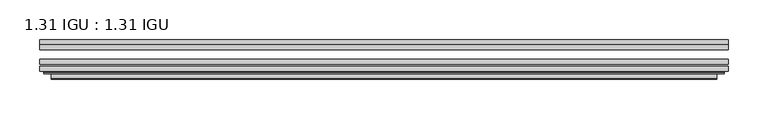
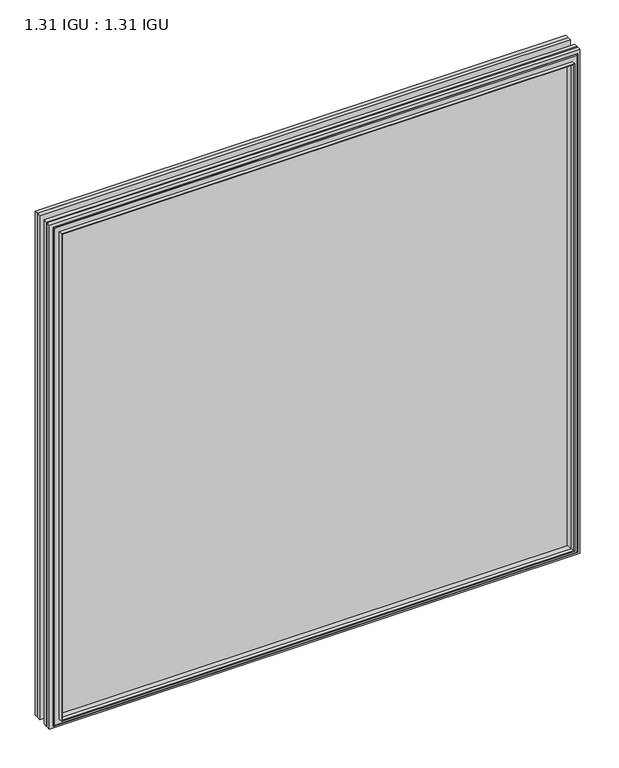
"""IFC4 building model written with IfcOpenShell, lengths in millimetres: plate geometry, 1.31 IGU : 1.31 IGU."""

from ifc_helpers import new_model, si_unit, frame, origin, place, context, project, spatial, polyline, ellipse_curve, outline, extrude, faceted_brep, source, transform, mapped, element, save
from ifc_brep_helpers import plane_surface, cylinder_surface, advanced_brep


def plate_1_31_igu_1_31_igu_bc2aa17d(model_context):
    return source(origin(), model_context, "Body", "SolidModel", [
        extrude(outline(polyline([(433.401675, -66.4725937), (433.401675, -72.8225938), (-433.3875, -72.8225938), (-433.3875, -66.4725937), (433.401675, -66.4725937)])), frame((0.0, 0.0, -14.2875), z_axis=(0.0, 0.0, 1.0), x_axis=(1.0, 0.0, 0.0)), (0.0, 0.0, 1.0), 869.9537979),
        extrude(outline(polyline([(-433.3875, -81.4585938), (-433.3875, -75.1080887), (433.401675, -75.1080887), (433.401675, -81.4585938), (-433.3875, -81.4585938)])), frame((0.0, 0.0, -14.2875), z_axis=(0.0, 0.0, 1.0), x_axis=(1.0, 0.0, 0.0)), (0.0, 0.0, 1.0), 869.9537979),
        extrude(outline(polyline([(433.401675, -48.1337937), (433.401675, -54.4837938), (-433.3875, -54.4837938), (-433.3875, -48.1337937), (433.401675, -48.1337937)])), frame((0.0, 0.0, -14.2875), z_axis=(0.0, 0.0, 1.0), x_axis=(1.0, 0.0, 0.0)), (0.0, 0.0, 1.0), 869.9537979),
        faceted_brep([(-419.0946902, -41.7837938, 841.3696902), (-418.2022559, -48.1337937, 840.4772559), (-418.2022559, -48.1337937, 0.8977441), (-419.0946902, -41.7837938, 0.0053098), (-433.4002, -48.1337937, 855.6752), (-433.4002, -41.7837938, 855.6752), (-433.4002, -41.7837938, -14.3002), (-433.4002, -48.1337937, -14.3002), (418.2022559, -48.1337937, 0.8977441), (419.0946902, -41.7837938, 0.0053098), (433.4002, -41.7837938, -14.3002), (433.4002, -48.1337937, -14.3002), (418.2022559, -48.1337937, 840.4772559), (419.0946902, -41.7837938, 841.3696902), (433.4002, -41.7837938, 855.6752), (433.4002, -48.1337937, 855.6752)], [[[0, 1, 2, 3]], [[4, 5, 6, 7]], [[3, 2, 8, 9]], [[7, 6, 10, 11]], [[9, 8, 12, 13]], [[11, 10, 14, 15]], [[7, 11, 15, 4], [1, 12, 8, 2]], [[13, 12, 1, 0]], [[5, 14, 10, 6], [3, 9, 13, 0]], [[15, 14, 5, 4]]]),
        advanced_brep(
        [(-427.4986349, -84.6335938, 849.7736349), (-428.5004244, -83.4482604, 850.7754244), (-428.5004244, -83.4482604, -9.4004244), (-427.4986349, -84.6335938, -8.3986349), (-419.0945784, -91.0948368, 841.3695784), (-419.0945784, -84.6335938, 841.3695784), (-419.0945784, -84.6335938, 0.0054216), (-419.0945784, -91.0948368, 0.0054216), (-418.1039217, -90.6958619, 840.3789217), (-418.1039217, -90.6958619, 0.9960783), (-417.0718939, -85.2986307, 839.3468939), (-417.0718939, -85.2986307, 2.0281061), (-412.1370621, -81.4585938, 834.4120621), (-412.1370621, -81.4585938, 6.9629379), (-426.146219, -81.4585938, 848.421219), (-426.146219, -81.4585938, -7.046219), (428.5004244, -83.4482604, -9.4004244), (427.4986349, -84.6335938, -8.3986349), (419.0945784, -84.6335938, 0.0054216), (419.0945784, -91.0948368, 0.0054216), (418.1039217, -90.6958619, 0.9960783), (417.0718939, -85.2986307, 2.0281061), (412.1370621, -81.4585938, 6.9629379), (426.146219, -81.4585938, -7.046219), (428.5004244, -83.4482604, 850.7754244), (427.4986349, -84.6335938, 849.7736349), (419.0945784, -84.6335938, 841.3695784), (419.0945784, -91.0948368, 841.3695784), (418.1039217, -90.6958619, 840.3789217), (417.0718939, -85.2986307, 839.3468939), (412.1370621, -81.4585938, 834.4120621), (426.146219, -81.4585938, 848.421219)],
        [
            (0, 1, ellipse_curve(frame((-427.4986349, -83.6175938, 849.7736349), z_axis=(-0.7071067811865475, 0.0, -0.7071067811865475), x_axis=(-0.7071067811865474, 0.0, 0.7071067811865476)), 1.436841, 1.016)),
            (1, 2),
            (2, 3, ellipse_curve(frame((-427.4986349, -83.6175938, -8.3986349), z_axis=(-0.7071067811865475, 0.0, 0.7071067811865475), x_axis=(0.7071067811865474, 0.0, 0.7071067811865476)), 1.436841, 1.016)),
            (3, 0),
            (4, 5),
            (5, 6),
            (6, 7),
            (7, 4),
            (8, 4, ellipse_curve(frame((-418.7276219, -90.5766015, 841.0026219), z_axis=(-0.7071067811865475, 0.0, -0.7071067811865475), x_axis=(-0.7071067811865474, 0.0, 0.7071067811865476)), 0.8980256, 0.635)),
            (7, 9, ellipse_curve(frame((-418.7276219, -90.5766015, 0.3723781), z_axis=(-0.7071067811865475, 0.0, 0.7071067811865475), x_axis=(0.7071067811865474, 0.0, 0.7071067811865476)), 0.8980256, 0.635)),
            (9, 8),
            (10, 8),
            (9, 11),
            (11, 10),
            (12, 10),
            (11, 13),
            (13, 12),
            (1, 14, ellipse_curve(frame((-426.146219, -83.8461938, 848.421219), z_axis=(-0.7071067811865475, 0.0, -0.7071067811865475), x_axis=(-0.7071067811865474, 0.0, 0.7071067811865476)), 3.3765763, 2.3876)),
            (14, 15),
            (15, 2, ellipse_curve(frame((-426.146219, -83.8461938, -7.046219), z_axis=(-0.7071067811865475, 0.0, 0.7071067811865475), x_axis=(0.7071067811865474, 0.0, 0.7071067811865476)), 3.3765763, 2.3876)),
            (2, 16),
            (16, 17, ellipse_curve(frame((427.4986349, -83.6175938, -8.3986349), z_axis=(-0.7071067811865475, 0.0, -0.7071067811865475), x_axis=(-0.7071067811865476, 0.0, 0.7071067811865474)), 1.436841, 1.016)),
            (17, 3),
            (6, 18),
            (18, 19),
            (19, 7),
            (19, 20, ellipse_curve(frame((418.7276219, -90.5766015, 0.3723781), z_axis=(-0.7071067811865475, 0.0, -0.7071067811865475), x_axis=(-0.7071067811865476, 0.0, 0.7071067811865474)), 0.8980256, 0.635)),
            (20, 9),
            (20, 21),
            (21, 11),
            (21, 22),
            (22, 13),
            (15, 23),
            (23, 16, ellipse_curve(frame((426.146219, -83.8461938, -7.046219), z_axis=(-0.7071067811865475, 0.0, -0.7071067811865475), x_axis=(-0.7071067811865476, 0.0, 0.7071067811865474)), 3.3765763, 2.3876)),
            (16, 24),
            (24, 25, ellipse_curve(frame((427.4986349, -83.6175938, 849.7736349), z_axis=(0.7071067811865475, 0.0, -0.7071067811865475), x_axis=(-0.7071067811865474, 0.0, -0.7071067811865476)), 1.436841, 1.016)),
            (25, 17),
            (18, 26),
            (26, 27),
            (27, 19),
            (27, 28, ellipse_curve(frame((418.7276219, -90.5766015, 841.0026219), z_axis=(0.7071067811865475, 0.0, -0.7071067811865475), x_axis=(-0.7071067811865474, 0.0, -0.7071067811865476)), 0.8980256, 0.635)),
            (28, 20),
            (28, 29),
            (29, 21),
            (29, 30),
            (30, 22),
            (23, 31),
            (31, 24, ellipse_curve(frame((426.146219, -83.8461938, 848.421219), z_axis=(0.7071067811865475, 0.0, -0.7071067811865475), x_axis=(-0.7071067811865474, 0.0, -0.7071067811865476)), 3.3765763, 2.3876)),
            (24, 1),
            (0, 25),
            (5, 26),
            (4, 27),
            (8, 28),
            (10, 29),
            (12, 30),
            (14, 31),
        ],
        [
            cylinder_surface(frame((-427.4986349, -83.6175938, 873.125), z_axis=(0.0, 0.0, 1.0), x_axis=(-1.0, 0.0, 0.0)), 1.016),
            plane_surface(frame((-419.0945784, -84.6335938, 841.3695784), z_axis=(-1.0, 0.0, 0.0), x_axis=(0.0, 0.0, -1.0))),
            cylinder_surface(frame((-418.7276219, -90.5766015, 873.125), z_axis=(0.0, 0.0, 1.0), x_axis=(-1.0, 0.0, 0.0)), 0.635),
            plane_surface(frame((-418.1039217, -90.6958619, 840.3789217), z_axis=(0.9822050625507717, -0.1878116479338675, 0.0), x_axis=(0.0, 0.0, -1.0))),
            plane_surface(frame((-417.0718939, -85.2986307, 839.3468939), z_axis=(0.6141233906514726, -0.7892100234124875, 0.0), x_axis=(0.0, 0.0, -1.0))),
            cylinder_surface(frame((-426.146219, -83.8461938, 873.125), z_axis=(0.0, 0.0, 1.0), x_axis=(-1.0, 0.0, 0.0)), 2.3876),
            cylinder_surface(frame((-450.85, -83.6175938, -8.3986349), z_axis=(-1.0, 0.0, 0.0), x_axis=(0.0, 0.0, -1.0)), 1.016),
            plane_surface(frame((-419.0945784, -84.6335938, 0.0054216), z_axis=(0.0, 0.0, -1.0), x_axis=(1.0, 0.0, 0.0))),
            cylinder_surface(frame((-450.85, -90.5766015, 0.3723781), z_axis=(-1.0, 0.0, 0.0), x_axis=(0.0, 0.0, -1.0)), 0.635),
            plane_surface(frame((-418.1039217, -90.6958619, 0.9960783), z_axis=(0.0, -0.18781164793386435, 0.9822050625507722), x_axis=(1.0, 0.0, 0.0))),
            plane_surface(frame((-417.0718939, -85.2986307, 2.0281061), z_axis=(0.0, -0.7892100234124855, 0.6141233906514751), x_axis=(1.0, 0.0, 0.0))),
            cylinder_surface(frame((-450.85, -83.8461938, -7.046219), z_axis=(-1.0, 0.0, 0.0), x_axis=(0.0, 0.0, -1.0)), 2.3876),
            cylinder_surface(frame((427.4986349, -83.6175938, -31.75), z_axis=(0.0, 0.0, -1.0), x_axis=(1.0, 0.0, 0.0)), 1.016),
            plane_surface(frame((419.0945784, -84.6335938, 0.0054216), z_axis=(1.0, 0.0, 0.0), x_axis=(0.0, 0.0, 1.0))),
            cylinder_surface(frame((418.7276219, -90.5766015, -31.75), z_axis=(0.0, 0.0, -1.0), x_axis=(1.0, 0.0, 0.0)), 0.635),
            plane_surface(frame((418.1039217, -90.6958619, 0.9960783), z_axis=(-0.9822050625507728, -0.18781164793386118, 0.0), x_axis=(0.0, 0.0, 1.0))),
            plane_surface(frame((417.0718939, -85.2986307, 2.0281061), z_axis=(-0.6141233906514777, -0.7892100234124835, 0.0), x_axis=(0.0, 0.0, 1.0))),
            cylinder_surface(frame((426.146219, -83.8461938, -31.75), z_axis=(0.0, 0.0, -1.0), x_axis=(1.0, 0.0, 0.0)), 2.3876),
            cylinder_surface(frame((450.85, -83.6175938, 849.7736349), z_axis=(1.0, 0.0, 0.0), x_axis=(0.0, 0.0, 1.0)), 1.016),
            plane_surface(frame((427.4986349, -84.6335938, 849.7736349), z_axis=(0.0, -1.0, 0.0), x_axis=(-1.0, 0.0, 0.0))),
            plane_surface(frame((419.0945784, -84.6335938, 841.3695784), z_axis=(0.0, 0.0, 1.0), x_axis=(-1.0, 0.0, 0.0))),
            cylinder_surface(frame((450.85, -90.5766015, 841.0026219), z_axis=(1.0, 0.0, 0.0), x_axis=(0.0, 0.0, 1.0)), 0.635),
            plane_surface(frame((418.1039217, -90.6958619, 840.3789217), z_axis=(0.0, -0.18781164793386435, -0.9822050625507722), x_axis=(-1.0, 0.0, 0.0))),
            plane_surface(frame((417.0718939, -85.2986307, 839.3468939), z_axis=(0.0, -0.7892100234124855, -0.6141233906514751), x_axis=(-1.0, 0.0, 0.0))),
            plane_surface(frame((412.1370621, -81.4585938, 834.4120621), z_axis=(0.0, 1.0, 0.0), x_axis=(-1.0, 0.0, 0.0))),
            cylinder_surface(frame((450.85, -83.8461938, 848.421219), z_axis=(1.0, 0.0, 0.0), x_axis=(0.0, 0.0, 1.0)), 2.3876),
        ],
        [
            (0, [[1, 2, 3, 4]]),
            (1, [[5, 6, 7, 8]]),
            (2, [[9, -8, 10, 11]]),
            (3, [[12, -11, 13, 14]]),
            (4, [[15, -14, 16, 17]]),
            (5, [[18, 19, 20, -2]]),
            (6, [[-3, 21, 22, 23]]),
            (7, [[-7, 24, 25, 26]]),
            (8, [[-10, -26, 27, 28]]),
            (9, [[-13, -28, 29, 30]]),
            (10, [[-16, -30, 31, 32]]),
            (11, [[-20, 33, 34, -21]]),
            (12, [[-22, 35, 36, 37]]),
            (13, [[-25, 38, 39, 40]]),
            (14, [[-27, -40, 41, 42]]),
            (15, [[-29, -42, 43, 44]]),
            (16, [[-31, -44, 45, 46]]),
            (17, [[-34, 47, 48, -35]]),
            (18, [[-36, 49, -1, 50]]),
            (19, [[-23, -37, -50, -4], [51, -38, -24, -6]]),
            (20, [[-39, -51, -5, 52]]),
            (21, [[-41, -52, -9, 53]]),
            (22, [[-43, -53, -12, 54]]),
            (23, [[-45, -54, -15, 55]]),
            (24, [[56, -47, -33, -19], [-32, -46, -55, -17]]),
            (25, [[-48, -56, -18, -49]]),
        ],
    ),
    ])


if __name__ == "__main__":
    model = new_model("IFC4")
    model_context = context("Model", 3, world=origin())
    ifc_project = project(units=[si_unit("LENGTHUNIT", "METRE", prefix="MILLI")], contexts=[model_context])
    site = spatial("IfcSite", under=ifc_project)
    building = spatial("IfcBuilding", under=site)
    placement = place(None, origin())
    plate_1_31_igu_1_31_igu_shape = plate_1_31_igu_1_31_igu_bc2aa17d(model_context)
    element("IfcPlate", 1, ObjectType="1.31 IGU : 1.31 IGU", at=placement, inside=building, context=model_context, shape_type="MappedRepresentation", body=[
        mapped(plate_1_31_igu_1_31_igu_shape, transform((0.0, 0.0, 0.0), x_axis=(1.0, 0.0, 0.0), y_axis=(0.0, 1.0, 0.0), z_axis=(0.0, 0.0, 1.0))),
    ])
    save(model, "model.ifc")
